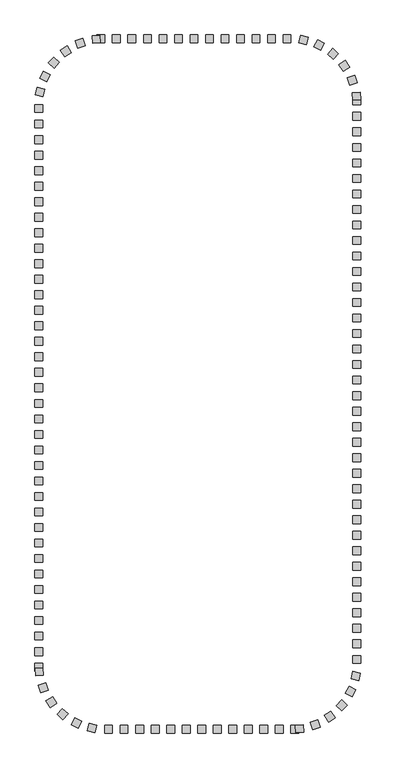
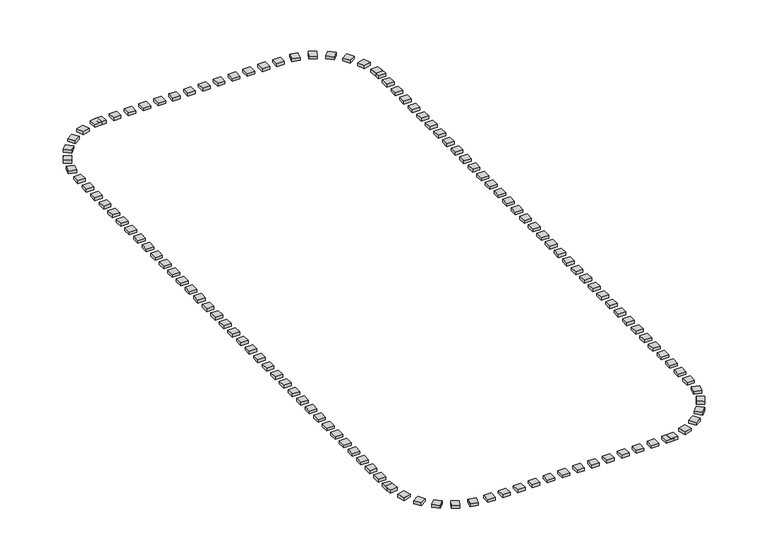
"""IFC4 building model written with IfcOpenShell, lengths in millimetres: railing geometry."""

from ifc_helpers import new_model, si_unit, origin, origin_with_axes, place, context, project, spatial, polyline, outline, extrude, source, transform, mapped, element, save


def railing_f9aa835d(model_context):
    return source(origin(), model_context, "Body", "SweptSolid", [
        extrude(outline(polyline([(61372.4823698, 2754.6603569), (61372.4823698, 2254.6603569), (60872.4823698, 2254.6603569), (60872.4823698, 2754.6603569), (61372.4823698, 2754.6603569)])), origin_with_axes(), (0.0, 0.0, 1.0), 200.0),
        extrude(outline(polyline([(60372.4823698, 2754.6603569), (60372.4823698, 2254.6603569), (59872.4823698, 2254.6603569), (59872.4823698, 2754.6603569), (60372.4823698, 2754.6603569)])), origin_with_axes(), (0.0, 0.0, 1.0), 200.0),
        extrude(outline(polyline([(59372.4823698, 2754.6603569), (59372.4823698, 2254.6603569), (58872.4823698, 2254.6603569), (58872.4823698, 2754.6603569), (59372.4823698, 2754.6603569)])), origin_with_axes(), (0.0, 0.0, 1.0), 200.0),
        extrude(outline(polyline([(58372.4823698, 2754.6603569), (58372.4823698, 2254.6603569), (57872.4823698, 2254.6603569), (57872.4823698, 2754.6603569), (58372.4823698, 2754.6603569)])), origin_with_axes(), (0.0, 0.0, 1.0), 200.0),
        extrude(outline(polyline([(57372.4823698, 2754.6603569), (57372.4823698, 2254.6603569), (56872.4823698, 2254.6603569), (56872.4823698, 2754.6603569), (57372.4823698, 2754.6603569)])), origin_with_axes(), (0.0, 0.0, 1.0), 200.0),
        extrude(outline(polyline([(56372.4823698, 2754.6603569), (56372.4823698, 2254.6603569), (55872.4823698, 2254.6603569), (55872.4823698, 2754.6603569), (56372.4823698, 2754.6603569)])), origin_with_axes(), (0.0, 0.0, 1.0), 200.0),
        extrude(outline(polyline([(55372.4823698, 2754.6603569), (55372.4823698, 2254.6603569), (54872.4823698, 2254.6603569), (54872.4823698, 2754.6603569), (55372.4823698, 2754.6603569)])), origin_with_axes(), (0.0, 0.0, 1.0), 200.0),
        extrude(outline(polyline([(54372.4823698, 2754.6603569), (54372.4823698, 2254.6603569), (53872.4823698, 2254.6603569), (53872.4823698, 2754.6603569), (54372.4823698, 2754.6603569)])), origin_with_axes(), (0.0, 0.0, 1.0), 200.0),
        extrude(outline(polyline([(53372.4823698, 2754.6603569), (53372.4823698, 2254.6603569), (52872.4823698, 2254.6603569), (52872.4823698, 2754.6603569), (53372.4823698, 2754.6603569)])), origin_with_axes(), (0.0, 0.0, 1.0), 200.0),
        extrude(outline(polyline([(52372.4823698, 2754.6603569), (52372.4823698, 2254.6603569), (51872.4823698, 2254.6603569), (51872.4823698, 2754.6603569), (52372.4823698, 2754.6603569)])), origin_with_axes(), (0.0, 0.0, 1.0), 200.0),
        extrude(outline(polyline([(51372.4823698, 2754.6603569), (51372.4823698, 2254.6603569), (50872.4823698, 2254.6603569), (50872.4823698, 2754.6603569), (51372.4823698, 2754.6603569)])), origin_with_axes(), (0.0, 0.0, 1.0), 200.0),
        extrude(outline(polyline([(50054.1649623, 2743.3877966), (50089.5335632, 2244.6403033), (49590.7860699, 2209.2717025), (49555.417469, 2708.0191958), (50054.1649623, 2743.3877966)])), origin_with_axes(), (0.0, 0.0, 1.0), 200.0),
        extrude(outline(polyline([(48953.5317391, 2525.091144), (49111.1929203, 2050.5988343), (48636.7006106, 1892.9376531), (48479.0394294, 2367.4299628), (48953.5317391, 2525.091144)])), origin_with_axes(), (0.0, 0.0, 1.0), 200.0),
        extrude(outline(polyline([(47941.1219934, 2041.2797885), (48211.2731464, 1620.5442961), (47790.537654, 1350.3931432), (47520.386501, 1771.1286356), (47941.1219934, 2041.2797885)])), origin_with_axes(), (0.0, 0.0, 1.0), 200.0),
        extrude(outline(polyline([(47079.8824599, 1322.034777), (47445.7268944, 981.215397), (47104.9075143, 615.3709625), (46739.0630799, 956.1903425), (47079.8824599, 1322.034777)])), origin_with_axes(), (0.0, 0.0, 1.0), 200.0),
        extrude(outline(polyline([(46423.3608413, 412.0752806), (46862.1521223, 172.3625113), (46622.439353, -266.4287697), (46183.648072, -26.7160004), (46423.3608413, 412.0752806)])), origin_with_axes(), (0.0, 0.0, 1.0), 200.0),
        extrude(outline(polyline([(46012.3764722, -632.0218265), (46496.832683, -755.7238061), (46373.1307034, -1240.180017), (45888.6744925, -1116.4780373), (46012.3764722, -632.0218265)])), origin_with_axes(), (0.0, 0.0, 1.0), 200.0),
        extrude(outline(polyline([(45872.4823698, -2745.3396431), (46372.4823698, -2745.3396431), (46372.4823698, -3245.3396431), (45872.4823698, -3245.3396431), (45872.4823698, -2745.3396431)])), origin_with_axes(), (0.0, 0.0, 1.0), 200.0),
        extrude(outline(polyline([(45872.4823698, -3745.3396431), (46372.4823698, -3745.3396431), (46372.4823698, -4245.3396431), (45872.4823698, -4245.3396431), (45872.4823698, -3745.3396431)])), origin_with_axes(), (0.0, 0.0, 1.0), 200.0),
        extrude(outline(polyline([(45872.4823698, -4745.3396431), (46372.4823698, -4745.3396431), (46372.4823698, -5245.3396431), (45872.4823698, -5245.3396431), (45872.4823698, -4745.3396431)])), origin_with_axes(), (0.0, 0.0, 1.0), 200.0),
        extrude(outline(polyline([(45872.4823698, -5745.3396431), (46372.4823698, -5745.3396431), (46372.4823698, -6245.3396431), (45872.4823698, -6245.3396431), (45872.4823698, -5745.3396431)])), origin_with_axes(), (0.0, 0.0, 1.0), 200.0),
        extrude(outline(polyline([(45872.4823698, -6745.3396431), (46372.4823698, -6745.3396431), (46372.4823698, -7245.3396431), (45872.4823698, -7245.3396431), (45872.4823698, -6745.3396431)])), origin_with_axes(), (0.0, 0.0, 1.0), 200.0),
        extrude(outline(polyline([(45872.4823698, -7745.3396431), (46372.4823698, -7745.3396431), (46372.4823698, -8245.3396431), (45872.4823698, -8245.3396431), (45872.4823698, -7745.3396431)])), origin_with_axes(), (0.0, 0.0, 1.0), 200.0),
        extrude(outline(polyline([(45872.4823698, -8745.3396431), (46372.4823698, -8745.3396431), (46372.4823698, -9245.3396431), (45872.4823698, -9245.3396431), (45872.4823698, -8745.3396431)])), origin_with_axes(), (0.0, 0.0, 1.0), 200.0),
        extrude(outline(polyline([(45872.4823698, -9745.3396431), (46372.4823698, -9745.3396431), (46372.4823698, -10245.3396431), (45872.4823698, -10245.3396431), (45872.4823698, -9745.3396431)])), origin_with_axes(), (0.0, 0.0, 1.0), 200.0),
        extrude(outline(polyline([(45872.4823698, -10745.3396431), (46372.4823698, -10745.3396431), (46372.4823698, -11245.3396431), (45872.4823698, -11245.3396431), (45872.4823698, -10745.3396431)])), origin_with_axes(), (0.0, 0.0, 1.0), 200.0),
        extrude(outline(polyline([(45872.4823698, -11745.3396431), (46372.4823698, -11745.3396431), (46372.4823698, -12245.3396431), (45872.4823698, -12245.3396431), (45872.4823698, -11745.3396431)])), origin_with_axes(), (0.0, 0.0, 1.0), 200.0),
        extrude(outline(polyline([(45872.4823698, -12745.3396431), (46372.4823698, -12745.3396431), (46372.4823698, -13245.3396431), (45872.4823698, -13245.3396431), (45872.4823698, -12745.3396431)])), origin_with_axes(), (0.0, 0.0, 1.0), 200.0),
        extrude(outline(polyline([(45872.4823698, -13745.3396431), (46372.4823698, -13745.3396431), (46372.4823698, -14245.3396431), (45872.4823698, -14245.3396431), (45872.4823698, -13745.3396431)])), origin_with_axes(), (0.0, 0.0, 1.0), 200.0),
        extrude(outline(polyline([(45872.4823698, -14745.3396431), (46372.4823698, -14745.3396431), (46372.4823698, -15245.3396431), (45872.4823698, -15245.3396431), (45872.4823698, -14745.3396431)])), origin_with_axes(), (0.0, 0.0, 1.0), 200.0),
        extrude(outline(polyline([(45872.4823698, -15745.3396431), (46372.4823698, -15745.3396431), (46372.4823698, -16245.3396431), (45872.4823698, -16245.3396431), (45872.4823698, -15745.3396431)])), origin_with_axes(), (0.0, 0.0, 1.0), 200.0),
        extrude(outline(polyline([(45872.4823698, -16745.3396431), (46372.4823698, -16745.3396431), (46372.4823698, -17245.3396431), (45872.4823698, -17245.3396431), (45872.4823698, -16745.3396431)])), origin_with_axes(), (0.0, 0.0, 1.0), 200.0),
        extrude(outline(polyline([(45872.4823698, -17745.3396431), (46372.4823698, -17745.3396431), (46372.4823698, -18245.3396431), (45872.4823698, -18245.3396431), (45872.4823698, -17745.3396431)])), origin_with_axes(), (0.0, 0.0, 1.0), 200.0),
        extrude(outline(polyline([(45872.4823698, -18745.3396431), (46372.4823698, -18745.3396431), (46372.4823698, -19245.3396431), (45872.4823698, -19245.3396431), (45872.4823698, -18745.3396431)])), origin_with_axes(), (0.0, 0.0, 1.0), 200.0),
        extrude(outline(polyline([(45872.4823698, -19745.3396431), (46372.4823698, -19745.3396431), (46372.4823698, -20245.3396431), (45872.4823698, -20245.3396431), (45872.4823698, -19745.3396431)])), origin_with_axes(), (0.0, 0.0, 1.0), 200.0),
        extrude(outline(polyline([(45872.4823698, -20745.3396431), (46372.4823698, -20745.3396431), (46372.4823698, -21245.3396431), (45872.4823698, -21245.3396431), (45872.4823698, -20745.3396431)])), origin_with_axes(), (0.0, 0.0, 1.0), 200.0),
        extrude(outline(polyline([(45872.4823698, -21745.3396431), (46372.4823698, -21745.3396431), (46372.4823698, -22245.3396431), (45872.4823698, -22245.3396431), (45872.4823698, -21745.3396431)])), origin_with_axes(), (0.0, 0.0, 1.0), 200.0),
        extrude(outline(polyline([(45872.4823698, -22745.3396431), (46372.4823698, -22745.3396431), (46372.4823698, -23245.3396431), (45872.4823698, -23245.3396431), (45872.4823698, -22745.3396431)])), origin_with_axes(), (0.0, 0.0, 1.0), 200.0),
        extrude(outline(polyline([(45872.4823698, -23745.3396431), (46372.4823698, -23745.3396431), (46372.4823698, -24245.3396431), (45872.4823698, -24245.3396431), (45872.4823698, -23745.3396431)])), origin_with_axes(), (0.0, 0.0, 1.0), 200.0),
        extrude(outline(polyline([(45872.4823698, -24745.3396431), (46372.4823698, -24745.3396431), (46372.4823698, -25245.3396431), (45872.4823698, -25245.3396431), (45872.4823698, -24745.3396431)])), origin_with_axes(), (0.0, 0.0, 1.0), 200.0),
        extrude(outline(polyline([(45872.4823698, -25745.3396431), (46372.4823698, -25745.3396431), (46372.4823698, -26245.3396431), (45872.4823698, -26245.3396431), (45872.4823698, -25745.3396431)])), origin_with_axes(), (0.0, 0.0, 1.0), 200.0),
        extrude(outline(polyline([(45872.4823698, -26745.3396431), (46372.4823698, -26745.3396431), (46372.4823698, -27245.3396431), (45872.4823698, -27245.3396431), (45872.4823698, -26745.3396431)])), origin_with_axes(), (0.0, 0.0, 1.0), 200.0),
        extrude(outline(polyline([(45872.4823698, -27745.3396431), (46372.4823698, -27745.3396431), (46372.4823698, -28245.3396431), (45872.4823698, -28245.3396431), (45872.4823698, -27745.3396431)])), origin_with_axes(), (0.0, 0.0, 1.0), 200.0),
        extrude(outline(polyline([(45872.4823698, -28745.3396431), (46372.4823698, -28745.3396431), (46372.4823698, -29245.3396431), (45872.4823698, -29245.3396431), (45872.4823698, -28745.3396431)])), origin_with_axes(), (0.0, 0.0, 1.0), 200.0),
        extrude(outline(polyline([(45872.4823698, -29745.3396431), (46372.4823698, -29745.3396431), (46372.4823698, -30245.3396431), (45872.4823698, -30245.3396431), (45872.4823698, -29745.3396431)])), origin_with_axes(), (0.0, 0.0, 1.0), 200.0),
        extrude(outline(polyline([(45872.4823698, -30745.3396431), (46372.4823698, -30745.3396431), (46372.4823698, -31245.3396431), (45872.4823698, -31245.3396431), (45872.4823698, -30745.3396431)])), origin_with_axes(), (0.0, 0.0, 1.0), 200.0),
        extrude(outline(polyline([(45872.4823698, -31745.3396431), (46372.4823698, -31745.3396431), (46372.4823698, -32245.3396431), (45872.4823698, -32245.3396431), (45872.4823698, -31745.3396431)])), origin_with_axes(), (0.0, 0.0, 1.0), 200.0),
        extrude(outline(polyline([(45872.4823698, -32745.3396431), (46372.4823698, -32745.3396431), (46372.4823698, -33245.3396431), (45872.4823698, -33245.3396431), (45872.4823698, -32745.3396431)])), origin_with_axes(), (0.0, 0.0, 1.0), 200.0),
        extrude(outline(polyline([(45872.4823698, -33745.3396431), (46372.4823698, -33745.3396431), (46372.4823698, -34245.3396431), (45872.4823698, -34245.3396431), (45872.4823698, -33745.3396431)])), origin_with_axes(), (0.0, 0.0, 1.0), 200.0),
        extrude(outline(polyline([(45872.4823698, -34745.3396431), (46372.4823698, -34745.3396431), (46372.4823698, -35245.3396431), (45872.4823698, -35245.3396431), (45872.4823698, -34745.3396431)])), origin_with_axes(), (0.0, 0.0, 1.0), 200.0),
        extrude(outline(polyline([(45872.4823698, -35745.3396431), (46372.4823698, -35745.3396431), (46372.4823698, -36245.3396431), (45872.4823698, -36245.3396431), (45872.4823698, -35745.3396431)])), origin_with_axes(), (0.0, 0.0, 1.0), 200.0),
        extrude(outline(polyline([(45872.4823698, -36745.3396431), (46372.4823698, -36745.3396431), (46372.4823698, -37245.3396431), (45872.4823698, -37245.3396431), (45872.4823698, -36745.3396431)])), origin_with_axes(), (0.0, 0.0, 1.0), 200.0),
        extrude(outline(polyline([(45883.7549301, -38063.6570506), (46382.5024234, -38028.2884498), (46417.8710243, -38527.0359431), (45919.123531, -38562.4045439), (45883.7549301, -38063.6570506)])), origin_with_axes(), (0.0, 0.0, 1.0), 200.0),
        extrude(outline(polyline([(46102.0515827, -39164.2902739), (46576.5438924, -39006.6290927), (46734.2050736, -39481.1214024), (46259.7127639, -39638.7825836), (46102.0515827, -39164.2902739)])), origin_with_axes(), (0.0, 0.0, 1.0), 200.0),
        extrude(outline(polyline([(46585.8629382, -40176.7000195), (47006.5984306, -39906.5488666), (47276.7495836, -40327.284359), (46856.0140911, -40597.4355119), (46585.8629382, -40176.7000195)])), origin_with_axes(), (0.0, 0.0, 1.0), 200.0),
        extrude(outline(polyline([(47305.1079497, -41037.9395531), (47645.9273298, -40672.0951186), (48011.7717642, -41012.9144986), (47670.9523842, -41378.7589331), (47305.1079497, -41037.9395531)])), origin_with_axes(), (0.0, 0.0, 1.0), 200.0),
        extrude(outline(polyline([(48215.0674461, -41694.4611716), (48454.7802154, -41255.6698907), (48893.5714964, -41495.38266), (48653.8587271, -41934.1739409), (48215.0674461, -41694.4611716)])), origin_with_axes(), (0.0, 0.0, 1.0), 200.0),
        extrude(outline(polyline([(49259.1645532, -42105.4455408), (49382.8665328, -41620.98933), (49867.3227437, -41744.6913096), (49743.6207641, -42229.1475205), (49259.1645532, -42105.4455408)])), origin_with_axes(), (0.0, 0.0, 1.0), 200.0),
        extrude(outline(polyline([(51372.4823698, -42245.3396431), (51372.4823698, -41745.3396431), (51872.4823698, -41745.3396431), (51872.4823698, -42245.3396431), (51372.4823698, -42245.3396431)])), origin_with_axes(), (0.0, 0.0, 1.0), 200.0),
        extrude(outline(polyline([(52372.4823698, -42245.3396431), (52372.4823698, -41745.3396431), (52872.4823698, -41745.3396431), (52872.4823698, -42245.3396431), (52372.4823698, -42245.3396431)])), origin_with_axes(), (0.0, 0.0, 1.0), 200.0),
        extrude(outline(polyline([(53372.4823698, -42245.3396431), (53372.4823698, -41745.3396431), (53872.4823698, -41745.3396431), (53872.4823698, -42245.3396431), (53372.4823698, -42245.3396431)])), origin_with_axes(), (0.0, 0.0, 1.0), 200.0),
        extrude(outline(polyline([(54372.4823698, -42245.3396431), (54372.4823698, -41745.3396431), (54872.4823698, -41745.3396431), (54872.4823698, -42245.3396431), (54372.4823698, -42245.3396431)])), origin_with_axes(), (0.0, 0.0, 1.0), 200.0),
        extrude(outline(polyline([(55372.4823698, -42245.3396431), (55372.4823698, -41745.3396431), (55872.4823698, -41745.3396431), (55872.4823698, -42245.3396431), (55372.4823698, -42245.3396431)])), origin_with_axes(), (0.0, 0.0, 1.0), 200.0),
        extrude(outline(polyline([(56372.4823698, -42245.3396431), (56372.4823698, -41745.3396431), (56872.4823698, -41745.3396431), (56872.4823698, -42245.3396431), (56372.4823698, -42245.3396431)])), origin_with_axes(), (0.0, 0.0, 1.0), 200.0),
        extrude(outline(polyline([(57372.4823698, -42245.3396431), (57372.4823698, -41745.3396431), (57872.4823698, -41745.3396431), (57872.4823698, -42245.3396431), (57372.4823698, -42245.3396431)])), origin_with_axes(), (0.0, 0.0, 1.0), 200.0),
        extrude(outline(polyline([(58372.4823698, -42245.3396431), (58372.4823698, -41745.3396431), (58872.4823698, -41745.3396431), (58872.4823698, -42245.3396431), (58372.4823698, -42245.3396431)])), origin_with_axes(), (0.0, 0.0, 1.0), 200.0),
        extrude(outline(polyline([(59372.4823698, -42245.3396431), (59372.4823698, -41745.3396431), (59872.4823698, -41745.3396431), (59872.4823698, -42245.3396431), (59372.4823698, -42245.3396431)])), origin_with_axes(), (0.0, 0.0, 1.0), 200.0),
        extrude(outline(polyline([(60372.4823698, -42245.3396431), (60372.4823698, -41745.3396431), (60872.4823698, -41745.3396431), (60872.4823698, -42245.3396431), (60372.4823698, -42245.3396431)])), origin_with_axes(), (0.0, 0.0, 1.0), 200.0),
        extrude(outline(polyline([(61372.4823698, -42245.3396431), (61372.4823698, -41745.3396431), (61872.4823698, -41745.3396431), (61872.4823698, -42245.3396431), (61372.4823698, -42245.3396431)])), origin_with_axes(), (0.0, 0.0, 1.0), 200.0),
        extrude(outline(polyline([(62690.7997774, -42234.0670828), (62655.4311765, -41735.3195895), (63154.1786698, -41699.9509887), (63189.5472707, -42198.698482), (62690.7997774, -42234.0670828)])), origin_with_axes(), (0.0, 0.0, 1.0), 200.0),
        extrude(outline(polyline([(63791.4330006, -42015.7704302), (63633.7718194, -41541.2781206), (64108.2641291, -41383.6169394), (64265.9253103, -41858.109249), (63791.4330006, -42015.7704302)])), origin_with_axes(), (0.0, 0.0, 1.0), 200.0),
        extrude(outline(polyline([(64803.8427463, -41531.9590748), (64533.6915933, -41111.2235824), (64954.4270857, -40841.0724294), (65224.5782387, -41261.8079218), (64803.8427463, -41531.9590748)])), origin_with_axes(), (0.0, 0.0, 1.0), 200.0),
        extrude(outline(polyline([(65665.0822798, -40812.7140632), (65299.2378453, -40471.8946832), (65640.0572254, -40106.0502488), (66005.9016598, -40446.8696288), (65665.0822798, -40812.7140632)])), origin_with_axes(), (0.0, 0.0, 1.0), 200.0),
        extrude(outline(polyline([(66321.6038984, -39902.7545668), (65882.8126174, -39663.0417975), (66122.5253867, -39224.2505166), (66561.3166677, -39463.9632859), (66321.6038984, -39902.7545668)])), origin_with_axes(), (0.0, 0.0, 1.0), 200.0),
        extrude(outline(polyline([(66732.5882675, -38858.6574598), (66248.1320567, -38734.9554801), (66371.8340363, -38250.4992693), (66856.2902472, -38374.2012489), (66732.5882675, -38858.6574598)])), origin_with_axes(), (0.0, 0.0, 1.0), 200.0),
        extrude(outline(polyline([(66872.4823698, -36745.3396431), (66372.4823698, -36745.3396431), (66372.4823698, -36245.3396431), (66872.4823698, -36245.3396431), (66872.4823698, -36745.3396431)])), origin_with_axes(), (0.0, 0.0, 1.0), 200.0),
        extrude(outline(polyline([(66872.4823698, -35745.3396431), (66372.4823698, -35745.3396431), (66372.4823698, -35245.3396431), (66872.4823698, -35245.3396431), (66872.4823698, -35745.3396431)])), origin_with_axes(), (0.0, 0.0, 1.0), 200.0),
        extrude(outline(polyline([(66872.4823698, -34745.3396431), (66372.4823698, -34745.3396431), (66372.4823698, -34245.3396431), (66872.4823698, -34245.3396431), (66872.4823698, -34745.3396431)])), origin_with_axes(), (0.0, 0.0, 1.0), 200.0),
        extrude(outline(polyline([(66872.4823698, -33745.3396431), (66372.4823698, -33745.3396431), (66372.4823698, -33245.3396431), (66872.4823698, -33245.3396431), (66872.4823698, -33745.3396431)])), origin_with_axes(), (0.0, 0.0, 1.0), 200.0),
        extrude(outline(polyline([(66872.4823698, -32745.3396431), (66372.4823698, -32745.3396431), (66372.4823698, -32245.3396431), (66872.4823698, -32245.3396431), (66872.4823698, -32745.3396431)])), origin_with_axes(), (0.0, 0.0, 1.0), 200.0),
        extrude(outline(polyline([(66872.4823698, -31745.3396431), (66372.4823698, -31745.3396431), (66372.4823698, -31245.3396431), (66872.4823698, -31245.3396431), (66872.4823698, -31745.3396431)])), origin_with_axes(), (0.0, 0.0, 1.0), 200.0),
        extrude(outline(polyline([(66872.4823698, -30745.3396431), (66372.4823698, -30745.3396431), (66372.4823698, -30245.3396431), (66872.4823698, -30245.3396431), (66872.4823698, -30745.3396431)])), origin_with_axes(), (0.0, 0.0, 1.0), 200.0),
        extrude(outline(polyline([(66872.4823698, -29745.3396431), (66372.4823698, -29745.3396431), (66372.4823698, -29245.3396431), (66872.4823698, -29245.3396431), (66872.4823698, -29745.3396431)])), origin_with_axes(), (0.0, 0.0, 1.0), 200.0),
        extrude(outline(polyline([(66872.4823698, -28745.3396431), (66372.4823698, -28745.3396431), (66372.4823698, -28245.3396431), (66872.4823698, -28245.3396431), (66872.4823698, -28745.3396431)])), origin_with_axes(), (0.0, 0.0, 1.0), 200.0),
        extrude(outline(polyline([(66872.4823698, -27745.3396431), (66372.4823698, -27745.3396431), (66372.4823698, -27245.3396431), (66872.4823698, -27245.3396431), (66872.4823698, -27745.3396431)])), origin_with_axes(), (0.0, 0.0, 1.0), 200.0),
        extrude(outline(polyline([(66872.4823698, -26745.3396431), (66372.4823698, -26745.3396431), (66372.4823698, -26245.3396431), (66872.4823698, -26245.3396431), (66872.4823698, -26745.3396431)])), origin_with_axes(), (0.0, 0.0, 1.0), 200.0),
        extrude(outline(polyline([(66872.4823698, -25745.3396431), (66372.4823698, -25745.3396431), (66372.4823698, -25245.3396431), (66872.4823698, -25245.3396431), (66872.4823698, -25745.3396431)])), origin_with_axes(), (0.0, 0.0, 1.0), 200.0),
        extrude(outline(polyline([(66872.4823698, -24745.3396431), (66372.4823698, -24745.3396431), (66372.4823698, -24245.3396431), (66872.4823698, -24245.3396431), (66872.4823698, -24745.3396431)])), origin_with_axes(), (0.0, 0.0, 1.0), 200.0),
        extrude(outline(polyline([(66872.4823698, -23745.3396431), (66372.4823698, -23745.3396431), (66372.4823698, -23245.3396431), (66872.4823698, -23245.3396431), (66872.4823698, -23745.3396431)])), origin_with_axes(), (0.0, 0.0, 1.0), 200.0),
        extrude(outline(polyline([(66872.4823698, -22745.3396431), (66372.4823698, -22745.3396431), (66372.4823698, -22245.3396431), (66872.4823698, -22245.3396431), (66872.4823698, -22745.3396431)])), origin_with_axes(), (0.0, 0.0, 1.0), 200.0),
        extrude(outline(polyline([(66872.4823698, -21745.3396431), (66372.4823698, -21745.3396431), (66372.4823698, -21245.3396431), (66872.4823698, -21245.3396431), (66872.4823698, -21745.3396431)])), origin_with_axes(), (0.0, 0.0, 1.0), 200.0),
        extrude(outline(polyline([(66872.4823698, -20745.3396431), (66372.4823698, -20745.3396431), (66372.4823698, -20245.3396431), (66872.4823698, -20245.3396431), (66872.4823698, -20745.3396431)])), origin_with_axes(), (0.0, 0.0, 1.0), 200.0),
        extrude(outline(polyline([(66872.4823698, -19745.3396431), (66372.4823698, -19745.3396431), (66372.4823698, -19245.3396431), (66872.4823698, -19245.3396431), (66872.4823698, -19745.3396431)])), origin_with_axes(), (0.0, 0.0, 1.0), 200.0),
        extrude(outline(polyline([(66872.4823698, -18745.3396431), (66372.4823698, -18745.3396431), (66372.4823698, -18245.3396431), (66872.4823698, -18245.3396431), (66872.4823698, -18745.3396431)])), origin_with_axes(), (0.0, 0.0, 1.0), 200.0),
        extrude(outline(polyline([(66872.4823698, -17745.3396431), (66372.4823698, -17745.3396431), (66372.4823698, -17245.3396431), (66872.4823698, -17245.3396431), (66872.4823698, -17745.3396431)])), origin_with_axes(), (0.0, 0.0, 1.0), 200.0),
        extrude(outline(polyline([(66872.4823698, -16745.3396431), (66372.4823698, -16745.3396431), (66372.4823698, -16245.3396431), (66872.4823698, -16245.3396431), (66872.4823698, -16745.3396431)])), origin_with_axes(), (0.0, 0.0, 1.0), 200.0),
        extrude(outline(polyline([(66872.4823698, -15745.3396431), (66372.4823698, -15745.3396431), (66372.4823698, -15245.3396431), (66872.4823698, -15245.3396431), (66872.4823698, -15745.3396431)])), origin_with_axes(), (0.0, 0.0, 1.0), 200.0),
        extrude(outline(polyline([(66872.4823698, -14745.3396431), (66372.4823698, -14745.3396431), (66372.4823698, -14245.3396431), (66872.4823698, -14245.3396431), (66872.4823698, -14745.3396431)])), origin_with_axes(), (0.0, 0.0, 1.0), 200.0),
        extrude(outline(polyline([(66872.4823698, -13745.3396431), (66372.4823698, -13745.3396431), (66372.4823698, -13245.3396431), (66872.4823698, -13245.3396431), (66872.4823698, -13745.3396431)])), origin_with_axes(), (0.0, 0.0, 1.0), 200.0),
        extrude(outline(polyline([(66872.4823698, -12745.3396431), (66372.4823698, -12745.3396431), (66372.4823698, -12245.3396431), (66872.4823698, -12245.3396431), (66872.4823698, -12745.3396431)])), origin_with_axes(), (0.0, 0.0, 1.0), 200.0),
        extrude(outline(polyline([(66872.4823698, -11745.3396431), (66372.4823698, -11745.3396431), (66372.4823698, -11245.3396431), (66872.4823698, -11245.3396431), (66872.4823698, -11745.3396431)])), origin_with_axes(), (0.0, 0.0, 1.0), 200.0),
        extrude(outline(polyline([(66872.4823698, -10745.3396431), (66372.4823698, -10745.3396431), (66372.4823698, -10245.3396431), (66872.4823698, -10245.3396431), (66872.4823698, -10745.3396431)])), origin_with_axes(), (0.0, 0.0, 1.0), 200.0),
        extrude(outline(polyline([(66872.4823698, -9745.3396431), (66372.4823698, -9745.3396431), (66372.4823698, -9245.3396431), (66872.4823698, -9245.3396431), (66872.4823698, -9745.3396431)])), origin_with_axes(), (0.0, 0.0, 1.0), 200.0),
        extrude(outline(polyline([(66872.4823698, -8745.3396431), (66372.4823698, -8745.3396431), (66372.4823698, -8245.3396431), (66872.4823698, -8245.3396431), (66872.4823698, -8745.3396431)])), origin_with_axes(), (0.0, 0.0, 1.0), 200.0),
        extrude(outline(polyline([(66872.4823698, -7745.3396431), (66372.4823698, -7745.3396431), (66372.4823698, -7245.3396431), (66872.4823698, -7245.3396431), (66872.4823698, -7745.3396431)])), origin_with_axes(), (0.0, 0.0, 1.0), 200.0),
        extrude(outline(polyline([(66872.4823698, -6745.3396431), (66372.4823698, -6745.3396431), (66372.4823698, -6245.3396431), (66872.4823698, -6245.3396431), (66872.4823698, -6745.3396431)])), origin_with_axes(), (0.0, 0.0, 1.0), 200.0),
        extrude(outline(polyline([(66872.4823698, -5745.3396431), (66372.4823698, -5745.3396431), (66372.4823698, -5245.3396431), (66872.4823698, -5245.3396431), (66872.4823698, -5745.3396431)])), origin_with_axes(), (0.0, 0.0, 1.0), 200.0),
        extrude(outline(polyline([(66872.4823698, -4745.3396431), (66372.4823698, -4745.3396431), (66372.4823698, -4245.3396431), (66872.4823698, -4245.3396431), (66872.4823698, -4745.3396431)])), origin_with_axes(), (0.0, 0.0, 1.0), 200.0),
        extrude(outline(polyline([(66872.4823698, -3745.3396431), (66372.4823698, -3745.3396431), (66372.4823698, -3245.3396431), (66872.4823698, -3245.3396431), (66872.4823698, -3745.3396431)])), origin_with_axes(), (0.0, 0.0, 1.0), 200.0),
        extrude(outline(polyline([(66872.4823698, -2745.3396431), (66372.4823698, -2745.3396431), (66372.4823698, -2245.3396431), (66872.4823698, -2245.3396431), (66872.4823698, -2745.3396431)])), origin_with_axes(), (0.0, 0.0, 1.0), 200.0),
        extrude(outline(polyline([(66861.2098096, -1427.0222356), (66362.4623163, -1462.3908365), (66327.0937154, -963.6433432), (66825.8412087, -928.2747423), (66861.2098096, -1427.0222356)])), origin_with_axes(), (0.0, 0.0, 1.0), 200.0),
        extrude(outline(polyline([(66642.9131569, -326.3890124), (66168.4208473, -484.0501935), (66010.7596661, -9.5578839), (66485.2519758, 148.1032973), (66642.9131569, -326.3890124)])), origin_with_axes(), (0.0, 0.0, 1.0), 200.0),
        extrude(outline(polyline([(66159.1018015, 686.0207333), (65738.3663091, 415.8695803), (65468.2151561, 836.6050727), (65888.9506486, 1106.7562257), (66159.1018015, 686.0207333)])), origin_with_axes(), (0.0, 0.0, 1.0), 200.0),
        extrude(outline(polyline([(65439.85679, 1547.2602668), (65099.0374099, 1181.4158324), (64733.1929755, 1522.2352124), (65074.0123555, 1888.0796468), (65439.85679, 1547.2602668)])), origin_with_axes(), (0.0, 0.0, 1.0), 200.0),
        extrude(outline(polyline([(64529.8972936, 2203.7818854), (64290.1845243, 1764.9906044), (63851.3932433, 2004.7033737), (64091.1060126, 2443.4946547), (64529.8972936, 2203.7818854)])), origin_with_axes(), (0.0, 0.0, 1.0), 200.0),
        extrude(outline(polyline([(63485.8001865, 2614.7662546), (63362.0982069, 2130.3100437), (62877.641996, 2254.0120233), (63001.3439756, 2738.4682342), (63485.8001865, 2614.7662546)])), origin_with_axes(), (0.0, 0.0, 1.0), 200.0),
        extrude(outline(polyline([(62372.4823698, 2754.6603569), (62372.4823698, 2254.6603569), (61872.4823698, 2254.6603569), (61872.4823698, 2754.6603569), (62372.4823698, 2754.6603569)])), origin_with_axes(), (0.0, 0.0, 1.0), 200.0),
        extrude(outline(polyline([(50372.4823698, 2754.6603569), (50372.4823698, 2254.6603569), (49872.4823698, 2254.6603569), (49872.4823698, 2754.6603569), (50372.4823698, 2754.6603569)])), origin_with_axes(), (0.0, 0.0, 1.0), 200.0),
        extrude(outline(polyline([(45872.4823698, -1745.3396431), (46372.4823698, -1745.3396431), (46372.4823698, -2245.3396431), (45872.4823698, -2245.3396431), (45872.4823698, -1745.3396431)])), origin_with_axes(), (0.0, 0.0, 1.0), 200.0),
        extrude(outline(polyline([(45872.4823698, -37745.3396431), (46372.4823698, -37745.3396431), (46372.4823698, -38245.3396431), (45872.4823698, -38245.3396431), (45872.4823698, -37745.3396431)])), origin_with_axes(), (0.0, 0.0, 1.0), 200.0),
        extrude(outline(polyline([(50372.4823698, -42245.3396431), (50372.4823698, -41745.3396431), (50872.4823698, -41745.3396431), (50872.4823698, -42245.3396431), (50372.4823698, -42245.3396431)])), origin_with_axes(), (0.0, 0.0, 1.0), 200.0),
        extrude(outline(polyline([(62372.4823698, -42245.3396431), (62372.4823698, -41745.3396431), (62872.4823698, -41745.3396431), (62872.4823698, -42245.3396431), (62372.4823698, -42245.3396431)])), origin_with_axes(), (0.0, 0.0, 1.0), 200.0),
        extrude(outline(polyline([(66872.4823698, -37745.3396431), (66372.4823698, -37745.3396431), (66372.4823698, -37245.3396431), (66872.4823698, -37245.3396431), (66872.4823698, -37745.3396431)])), origin_with_axes(), (0.0, 0.0, 1.0), 200.0),
        extrude(outline(polyline([(66872.4823698, -1745.3396431), (66372.4823698, -1745.3396431), (66372.4823698, -1245.3396431), (66872.4823698, -1245.3396431), (66872.4823698, -1745.3396431)])), origin_with_axes(), (0.0, 0.0, 1.0), 200.0),
    ])


if __name__ == "__main__":
    model = new_model("IFC4")
    model_context = context("Model", 3, world=origin())
    ifc_project = project(units=[si_unit("LENGTHUNIT", "METRE", prefix="MILLI")], contexts=[model_context])
    site = spatial("IfcSite", under=ifc_project)
    building = spatial("IfcBuilding", under=site)
    placement = place(None, origin())
    railing_shape = railing_f9aa835d(model_context)
    element("IfcRailing", 1, at=placement, inside=building, context=model_context, shape_type="MappedRepresentation", body=[
        mapped(railing_shape, transform((0.0, 0.0, 0.0), x_axis=(1.0, 0.0, 0.0), y_axis=(0.0, 1.0, 0.0), z_axis=(0.0, 0.0, 1.0))),
    ])
    save(model, "model.ifc")
